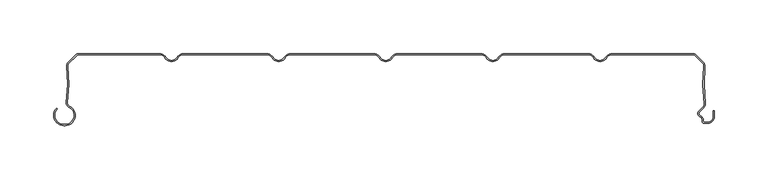
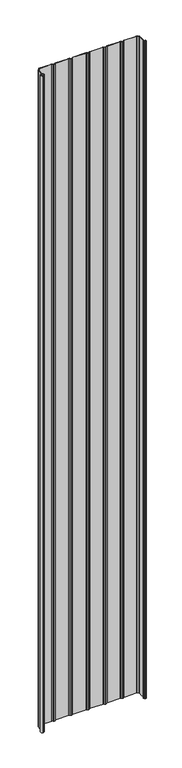
"""IFC4 building model written with IfcOpenShell, lengths in millimetres: plate geometry."""

from ifc_helpers import new_model, si_unit, point, frame_2d, origin, origin_with_axes, place, context, project, spatial, polyline, circle_curve, trimmed, segment, composite_curve, outline, extrude, source, transform, mapped, element, save


def plate_c3a29804(model_context):
    return source(origin(), model_context, "Body", "SweptSolid", [
        extrude(outline(composite_curve([segment(polyline([(-300.5602537, -66.1554676), (-299.3062537, -66.1554676)]), True, "CONTINUOUS"), segment(trimmed(circle_curve(frame_2d((-299.3062537, -57.6554676)), 8.5), [point((-299.3062537, -66.1554676))], [point((-295.7922984, -49.9158218))], True, "CARTESIAN"), True, "CONTINUOUS"), segment(trimmed(circle_curve(frame_2d((-294.0973318, -46.1825808)), 4.1), [point((-295.7922984, -49.9158218))], [point((-298.16634, -45.6794186))], False, "CARTESIAN"), True, "CONTINUOUS"), segment(trimmed(circle_curve(frame_2d((-447.0324936, -27.2710429)), 150.0), [point((-298.16634, -45.6794186))], [point((-297.8298401, -11.8253904))], True, "CARTESIAN"), True, "CONTINUOUS"), segment(trimmed(circle_curve(frame_2d((-293.7516343, -11.4032093)), 4.1), [point((-297.8298401, -11.8253904))], [point((-296.6507721, -8.5040715))], False, "CARTESIAN"), True, "CONTINUOUS"), segment(polyline([(-296.6507721, -8.5040715), (-289.3475628, -1.2008622)]), True, "CONTINUOUS"), segment(trimmed(circle_curve(frame_2d((-286.448425, -4.1)), 4.1), [point((-289.3475628, -1.2008622))], [point((-286.448425, 0.0))], False, "CARTESIAN"), True, "CONTINUOUS"), segment(polyline([(-286.448425, 0.0), (-211.2583302, 0.0)]), True, "CONTINUOUS"), segment(trimmed(circle_curve(frame_2d((-211.2583302, -7.0)), 7.0), [point((-211.2583302, 0.0))], [point((-205.1961524, -3.5))], False, "CARTESIAN"), True, "CONTINUOUS"), segment(trimmed(circle_curve(frame_2d((-200.0, -0.5)), 6.0), [point((-205.1961524, -3.5))], [point((-200.0, -6.5))], True, "CARTESIAN"), True, "CONTINUOUS"), segment(trimmed(circle_curve(frame_2d((-200.0, -0.5)), 6.0), [point((-200.0, -6.5))], [point((-194.8038476, -3.5))], True, "CARTESIAN"), True, "CONTINUOUS"), segment(trimmed(circle_curve(frame_2d((-188.7416698, -7.0)), 7.0), [point((-194.8038476, -3.5))], [point((-188.7416698, 0.0))], False, "CARTESIAN"), True, "CONTINUOUS"), segment(polyline([(-188.7416698, 0.0), (-111.2583302, 0.0)]), True, "CONTINUOUS"), segment(trimmed(circle_curve(frame_2d((-111.2583302, -7.0)), 7.0), [point((-111.2583302, 0.0))], [point((-105.1961524, -3.5))], False, "CARTESIAN"), True, "CONTINUOUS"), segment(trimmed(circle_curve(frame_2d((-100.0, -0.5)), 6.0), [point((-105.1961524, -3.5))], [point((-100.0, -6.5))], True, "CARTESIAN"), True, "CONTINUOUS"), segment(trimmed(circle_curve(frame_2d((-100.0, -0.5)), 6.0), [point((-100.0, -6.5))], [point((-94.8038476, -3.5))], True, "CARTESIAN"), True, "CONTINUOUS"), segment(trimmed(circle_curve(frame_2d((-88.7416698, -7.0)), 7.0), [point((-94.8038476, -3.5))], [point((-88.7416698, 0.0))], False, "CARTESIAN"), True, "CONTINUOUS"), segment(polyline([(-88.7416698, 0.0), (-11.2583302, 0.0)]), True, "CONTINUOUS"), segment(trimmed(circle_curve(frame_2d((-11.2583302, -7.0)), 7.0), [point((-11.2583302, 0.0))], [point((-5.1961524, -3.5))], False, "CARTESIAN"), True, "CONTINUOUS"), segment(trimmed(circle_curve(frame_2d((0.0, -0.5)), 6.0), [point((-5.1961524, -3.5))], [point((0.0, -6.5))], True, "CARTESIAN"), True, "CONTINUOUS"), segment(trimmed(circle_curve(frame_2d((0.0, -0.5)), 6.0), [point((0.0, -6.5))], [point((5.1961524, -3.5))], True, "CARTESIAN"), True, "CONTINUOUS"), segment(trimmed(circle_curve(frame_2d((11.2583302, -7.0)), 7.0), [point((5.1961524, -3.5))], [point((11.2583302, 0.0))], False, "CARTESIAN"), True, "CONTINUOUS"), segment(polyline([(11.2583302, 0.0), (88.7416698, 0.0)]), True, "CONTINUOUS"), segment(trimmed(circle_curve(frame_2d((88.7416698, -7.0)), 7.0), [point((88.7416698, 0.0))], [point((94.8038476, -3.5))], False, "CARTESIAN"), True, "CONTINUOUS"), segment(trimmed(circle_curve(frame_2d((100.0, -0.5)), 6.0), [point((94.8038476, -3.5))], [point((100.0, -6.5))], True, "CARTESIAN"), True, "CONTINUOUS"), segment(trimmed(circle_curve(frame_2d((100.0, -0.5)), 6.0), [point((100.0, -6.5))], [point((105.1961524, -3.5))], True, "CARTESIAN"), True, "CONTINUOUS"), segment(trimmed(circle_curve(frame_2d((111.2583302, -7.0)), 7.0), [point((105.1961524, -3.5))], [point((111.2583302, 0.0))], False, "CARTESIAN"), True, "CONTINUOUS"), segment(polyline([(111.2583302, 0.0), (188.7416698, 0.0)]), True, "CONTINUOUS"), segment(trimmed(circle_curve(frame_2d((188.7416698, -7.0)), 7.0), [point((188.7416698, 0.0))], [point((194.8038476, -3.5))], False, "CARTESIAN"), True, "CONTINUOUS"), segment(trimmed(circle_curve(frame_2d((200.0, -0.5)), 6.0), [point((194.8038476, -3.5))], [point((200.0, -6.5))], True, "CARTESIAN"), True, "CONTINUOUS"), segment(trimmed(circle_curve(frame_2d((200.0, -0.5)), 6.0), [point((200.0, -6.5))], [point((205.1961524, -3.5))], True, "CARTESIAN"), True, "CONTINUOUS"), segment(trimmed(circle_curve(frame_2d((211.2583302, -7.0)), 7.0), [point((205.1961524, -3.5))], [point((211.2583302, 0.0))], False, "CARTESIAN"), True, "CONTINUOUS"), segment(polyline([(211.2583302, 0.0), (286.448425, 0.0)]), True, "CONTINUOUS"), segment(trimmed(circle_curve(frame_2d((286.448425, -4.1)), 4.1), [point((286.448425, 0.0))], [point((289.3475628, -1.2008622))], False, "CARTESIAN"), True, "CONTINUOUS"), segment(polyline([(289.3475628, -1.2008622), (296.6502641, -8.5035635)]), True, "CONTINUOUS"), segment(trimmed(circle_curve(frame_2d((293.7511263, -11.4027013)), 4.1), [point((296.6502641, -8.5035635))], [point((297.8293419, -11.8247881))], False, "CARTESIAN"), True, "CONTINUOUS"), segment(trimmed(circle_curve(frame_2d((447.0323527, -27.2669893)), 150.0), [point((297.8293419, -11.8247881))], [point((298.2850443, -46.6122279))], True, "CARTESIAN"), True, "CONTINUOUS"), segment(trimmed(circle_curve(frame_2d((293.9914802, -47.1706247)), 4.3297228), [point((298.2850443, -46.6122279))], [point((296.9270443, -50.3532279))], False, "CARTESIAN"), True, "CONTINUOUS"), segment(polyline([(296.9270443, -50.3532279), (292.893169, -54.3871033)]), True, "CONTINUOUS"), segment(trimmed(circle_curve(frame_2d((294.4488039, -55.9427382)), 2.2), [point((292.893169, -54.3871033))], [point((293.6238714, -57.98222))], True, "CARTESIAN"), True, "CONTINUOUS"), segment(trimmed(circle_curve(frame_2d((292.0490001, -61.8757763)), 4.2), [point((293.6238714, -57.98222))], [point((296.2490002, -61.8757763))], False, "CARTESIAN"), True, "CONTINUOUS"), segment(polyline([(296.2490002, -61.8757763), (296.2490002, -63.0)]), True, "CONTINUOUS"), segment(trimmed(circle_curve(frame_2d((297.2490002, -63.0)), 1.0), [point((296.2490002, -63.0))], [point((297.2490002, -64.0))], True, "CARTESIAN"), True, "CONTINUOUS"), segment(polyline([(297.2490002, -64.0), (300.5500002, -64.0)]), True, "CONTINUOUS"), segment(trimmed(circle_curve(frame_2d((300.5500002, -58.8)), 5.2), [point((300.5500002, -64.0))], [point((305.7500002, -58.8))], True, "CARTESIAN"), True, "CONTINUOUS"), segment(polyline([(305.7500002, -58.8), (305.7500002, -53.169), (306.7500002, -53.169), (306.7500002, -58.8)]), True, "CONTINUOUS"), segment(trimmed(circle_curve(frame_2d((300.5500002, -58.8)), 6.2), [point((306.7500002, -58.8))], [point((300.5500002, -65.0))], False, "CARTESIAN"), True, "CONTINUOUS"), segment(polyline([(300.5500002, -65.0), (297.2490002, -65.0)]), True, "CONTINUOUS"), segment(trimmed(circle_curve(frame_2d((297.2490002, -63.0)), 2.0), [point((297.2490002, -65.0))], [point((295.2490002, -63.0))], False, "CARTESIAN"), True, "CONTINUOUS"), segment(polyline([(295.2490002, -63.0), (295.2490002, -61.8757763)]), True, "CONTINUOUS"), segment(trimmed(circle_curve(frame_2d((292.0490001, -61.8757763)), 3.2), [point((295.2490002, -61.8757763))], [point((293.248902, -58.9092572))], True, "CARTESIAN"), True, "CONTINUOUS"), segment(trimmed(circle_curve(frame_2d((294.4488039, -55.9427382)), 3.2), [point((293.248902, -58.9092572))], [point((292.1860622, -53.6799965))], False, "CARTESIAN"), True, "CONTINUOUS"), segment(polyline([(292.1860622, -53.6799965), (296.2351435, -49.6309152)]), True, "CONTINUOUS"), segment(trimmed(circle_curve(frame_2d((293.9914802, -47.1706247)), 3.3297228), [point((296.2351435, -49.6309152))], [point((297.2933956, -46.7411962))], True, "CARTESIAN"), True, "CONTINUOUS"), segment(trimmed(circle_curve(frame_2d((447.0323527, -27.2669893)), 151.0), [point((297.2933956, -46.7411962))], [point((296.8346552, -11.7218401))], False, "CARTESIAN"), True, "CONTINUOUS"), segment(trimmed(circle_curve(frame_2d((293.7511263, -11.4027013)), 3.1), [point((296.8346552, -11.7218401))], [point((295.9431573, -9.2106703))], True, "CARTESIAN"), True, "CONTINUOUS"), segment(polyline([(295.9431573, -9.2106703), (288.640456, -1.907969)]), True, "CONTINUOUS"), segment(trimmed(circle_curve(frame_2d((286.448425, -4.1)), 3.1), [point((288.640456, -1.907969))], [point((286.448425, -1.0))], True, "CARTESIAN"), True, "CONTINUOUS"), segment(polyline([(286.448425, -1.0), (211.2583302, -1.0)]), True, "CONTINUOUS"), segment(trimmed(circle_curve(frame_2d((211.2583302, -7.0)), 6.0), [point((211.2583302, -1.0))], [point((206.0621778, -4.0))], True, "CARTESIAN"), True, "CONTINUOUS"), segment(trimmed(circle_curve(frame_2d((200.0, -0.5)), 7.0), [point((206.0621778, -4.0))], [point((200.0, -7.5))], False, "CARTESIAN"), True, "CONTINUOUS"), segment(trimmed(circle_curve(frame_2d((200.0, -0.5)), 7.0), [point((200.0, -7.5))], [point((193.9378222, -4.0))], False, "CARTESIAN"), True, "CONTINUOUS"), segment(trimmed(circle_curve(frame_2d((188.7416698, -7.0)), 6.0), [point((193.9378222, -4.0))], [point((188.7416698, -1.0))], True, "CARTESIAN"), True, "CONTINUOUS"), segment(polyline([(188.7416698, -1.0), (111.2583302, -1.0)]), True, "CONTINUOUS"), segment(trimmed(circle_curve(frame_2d((111.2583302, -7.0)), 6.0), [point((111.2583302, -1.0))], [point((106.0621778, -4.0))], True, "CARTESIAN"), True, "CONTINUOUS"), segment(trimmed(circle_curve(frame_2d((100.0, -0.5)), 7.0), [point((106.0621778, -4.0))], [point((100.0, -7.5))], False, "CARTESIAN"), True, "CONTINUOUS"), segment(trimmed(circle_curve(frame_2d((100.0, -0.5)), 7.0), [point((100.0, -7.5))], [point((93.9378222, -4.0))], False, "CARTESIAN"), True, "CONTINUOUS"), segment(trimmed(circle_curve(frame_2d((88.7416698, -7.0)), 6.0), [point((93.9378222, -4.0))], [point((88.7416698, -1.0))], True, "CARTESIAN"), True, "CONTINUOUS"), segment(polyline([(88.7416698, -1.0), (11.2583302, -1.0)]), True, "CONTINUOUS"), segment(trimmed(circle_curve(frame_2d((11.2583302, -7.0)), 6.0), [point((11.2583302, -1.0))], [point((6.0621778, -4.0))], True, "CARTESIAN"), True, "CONTINUOUS"), segment(trimmed(circle_curve(frame_2d((0.0, -0.5)), 7.0), [point((6.0621778, -4.0))], [point((0.0, -7.5))], False, "CARTESIAN"), True, "CONTINUOUS"), segment(trimmed(circle_curve(frame_2d((0.0, -0.5)), 7.0), [point((0.0, -7.5))], [point((-6.0621778, -4.0))], False, "CARTESIAN"), True, "CONTINUOUS"), segment(trimmed(circle_curve(frame_2d((-11.2583302, -7.0)), 6.0), [point((-6.0621778, -4.0))], [point((-11.2583302, -1.0))], True, "CARTESIAN"), True, "CONTINUOUS"), segment(polyline([(-11.2583302, -1.0), (-88.7416698, -1.0)]), True, "CONTINUOUS"), segment(trimmed(circle_curve(frame_2d((-88.7416698, -7.0)), 6.0), [point((-88.7416698, -1.0))], [point((-93.9378222, -4.0))], True, "CARTESIAN"), True, "CONTINUOUS"), segment(trimmed(circle_curve(frame_2d((-100.0, -0.5)), 7.0), [point((-93.9378222, -4.0))], [point((-100.0, -7.5))], False, "CARTESIAN"), True, "CONTINUOUS"), segment(trimmed(circle_curve(frame_2d((-100.0, -0.5)), 7.0), [point((-100.0, -7.5))], [point((-106.0621778, -4.0))], False, "CARTESIAN"), True, "CONTINUOUS"), segment(trimmed(circle_curve(frame_2d((-111.2583302, -7.0)), 6.0), [point((-106.0621778, -4.0))], [point((-111.2583302, -1.0))], True, "CARTESIAN"), True, "CONTINUOUS"), segment(polyline([(-111.2583302, -1.0), (-188.7416698, -1.0)]), True, "CONTINUOUS"), segment(trimmed(circle_curve(frame_2d((-188.7416698, -7.0)), 6.0), [point((-188.7416698, -1.0))], [point((-193.9378222, -4.0))], True, "CARTESIAN"), True, "CONTINUOUS"), segment(trimmed(circle_curve(frame_2d((-200.0, -0.5)), 7.0), [point((-193.9378222, -4.0))], [point((-200.0, -7.5))], False, "CARTESIAN"), True, "CONTINUOUS"), segment(trimmed(circle_curve(frame_2d((-200.0, -0.5)), 7.0), [point((-200.0, -7.5))], [point((-206.0621778, -4.0))], False, "CARTESIAN"), True, "CONTINUOUS"), segment(trimmed(circle_curve(frame_2d((-211.2583302, -7.0)), 6.0), [point((-206.0621778, -4.0))], [point((-211.2583302, -1.0))], True, "CARTESIAN"), True, "CONTINUOUS"), segment(polyline([(-211.2583302, -1.0), (-286.448425, -1.0)]), True, "CONTINUOUS"), segment(trimmed(circle_curve(frame_2d((-286.448425, -4.1)), 3.1), [point((-286.448425, -1.0))], [point((-288.640456, -1.907969))], True, "CARTESIAN"), True, "CONTINUOUS"), segment(polyline([(-288.640456, -1.907969), (-295.9436653, -9.2111782)]), True, "CONTINUOUS"), segment(trimmed(circle_curve(frame_2d((-293.7516343, -11.4032093)), 3.1), [point((-295.9436653, -9.2111782))], [point((-296.8351558, -11.7224194))], True, "CARTESIAN"), True, "CONTINUOUS"), segment(trimmed(circle_curve(frame_2d((-447.0324936, -27.2710429)), 151.0), [point((-296.8351558, -11.7224194))], [point((-297.173899, -45.8021411))], False, "CARTESIAN"), True, "CONTINUOUS"), segment(trimmed(circle_curve(frame_2d((-294.0973318, -46.1825808)), 3.1), [point((-297.173899, -45.8021411))], [point((-295.3788919, -49.0052752))], True, "CARTESIAN"), True, "CONTINUOUS"), segment(trimmed(circle_curve(frame_2d((-299.3062537, -57.6554676)), 9.5), [point((-295.3788919, -49.0052752))], [point((-299.3062537, -67.1554676))], False, "CARTESIAN"), True, "CONTINUOUS"), segment(polyline([(-299.3062537, -67.1554676), (-300.5602537, -67.1554676)]), True, "CONTINUOUS"), segment(trimmed(circle_curve(frame_2d((-300.5602537, -57.6554676)), 9.5), [point((-300.5602537, -67.1554676))], [point((-307.2777682, -50.9379532))], False, "CARTESIAN"), True, "CONTINUOUS"), segment(polyline([(-307.2777682, -50.9379532), (-306.5706614, -51.64506)]), True, "CONTINUOUS"), segment(trimmed(circle_curve(frame_2d((-300.5602537, -57.6554676)), 8.5), [point((-306.5706614, -51.64506))], [point((-300.5602537, -66.1554676))], True, "CARTESIAN"), True, "CONTINUOUS")], self_intersect=False)), origin_with_axes(), (0.0, 0.0, 1.0), 4061.7064475),
    ])


if __name__ == "__main__":
    model = new_model("IFC4")
    model_context = context("Model", 3, world=origin())
    ifc_project = project(units=[si_unit("LENGTHUNIT", "METRE", prefix="MILLI")], contexts=[model_context])
    site = spatial("IfcSite", under=ifc_project)
    building = spatial("IfcBuilding", under=site)
    placement = place(None, origin())
    plate_shape = plate_c3a29804(model_context)
    element("IfcPlate", 1, at=placement, inside=building, context=model_context, shape_type="MappedRepresentation", body=[
        mapped(plate_shape, transform((0.0, 0.0, 0.0), x_axis=(1.0, 0.0, 0.0), y_axis=(0.0, 1.0, 0.0), z_axis=(0.0, 0.0, 1.0))),
    ])
    save(model, "model.ifc")
